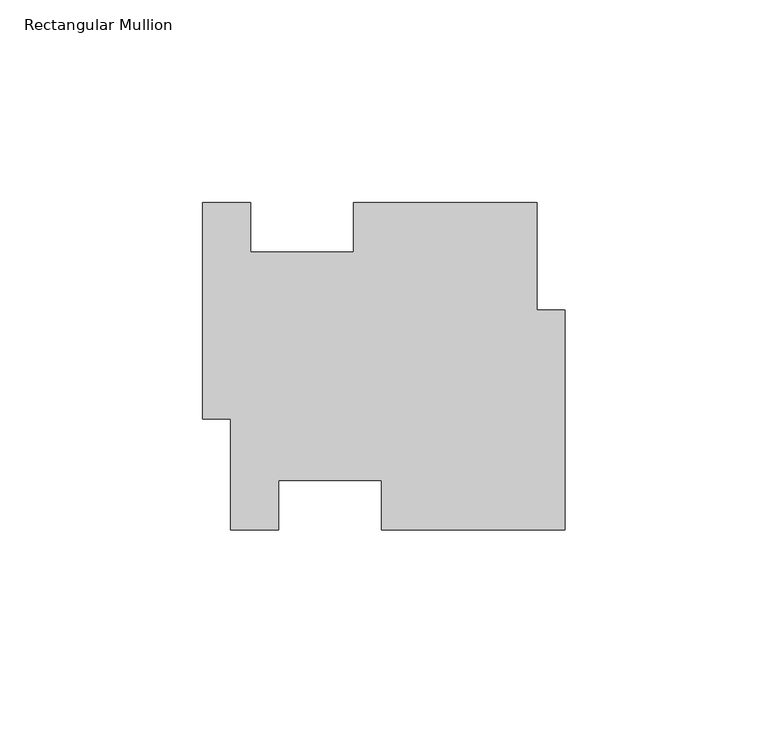
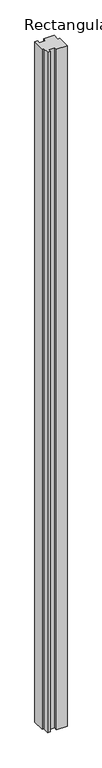
"""IFC4 building model written with IfcOpenShell, lengths in millimetres: member geometry, Rectangular Mullion."""

from ifc_helpers import new_model, si_unit, frame, origin, place, context, project, spatial, polyline, outline, extrude, source, transform, mapped, element, save


def rectangular_mullion_9bbf3573(model_context):
    return source(origin(), model_context, "Body", "SweptSolid", [
        extrude(outline(polyline([(-6.9088, 12.6002612), (0.0, 12.6002612), (0.0, -41.7557388), (-45.3136, -41.7557388), (-45.3136, -29.5383388), (-70.7136, -29.5383388), (-70.7136, -41.7557388), (-82.55, -41.7557388), (-82.55, -14.3820135), (-89.4588, -14.3820135), (-89.4588, 39.0950076), (-77.6224, 39.0950076), (-77.6224, 26.8776076), (-52.2224, 26.8776076), (-52.2224, 39.0950076), (-6.9088, 39.0950076), (-6.9088, 12.6002612)])), frame((0.0, 0.0, -3048.0), z_axis=(0.0, 0.0, 1.0), x_axis=(1.0, 0.0, 0.0)), (0.0, 0.0, 1.0), 3048.0),
    ])


if __name__ == "__main__":
    model = new_model("IFC4")
    model_context = context("Model", 3, world=origin())
    ifc_project = project(units=[si_unit("LENGTHUNIT", "METRE", prefix="MILLI")], contexts=[model_context])
    site = spatial("IfcSite", under=ifc_project)
    building = spatial("IfcBuilding", under=site)
    placement = place(None, origin())
    rectangular_mullion_shape = rectangular_mullion_9bbf3573(model_context)
    element("IfcMember", 1, ObjectType="Rectangular Mullion", at=placement, inside=building, context=model_context, shape_type="MappedRepresentation", body=[
        mapped(rectangular_mullion_shape, transform((0.0, 0.0, 0.0), x_axis=(1.0, 0.0, 0.0), y_axis=(0.0, 1.0, 0.0), z_axis=(0.0, 0.0, 1.0))),
    ])
    save(model, "model.ifc")
